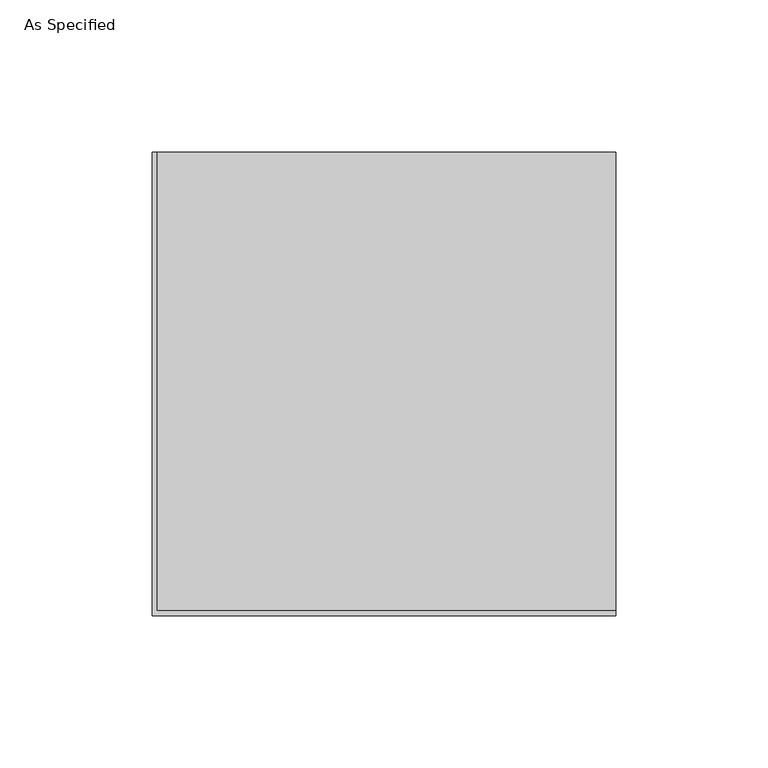
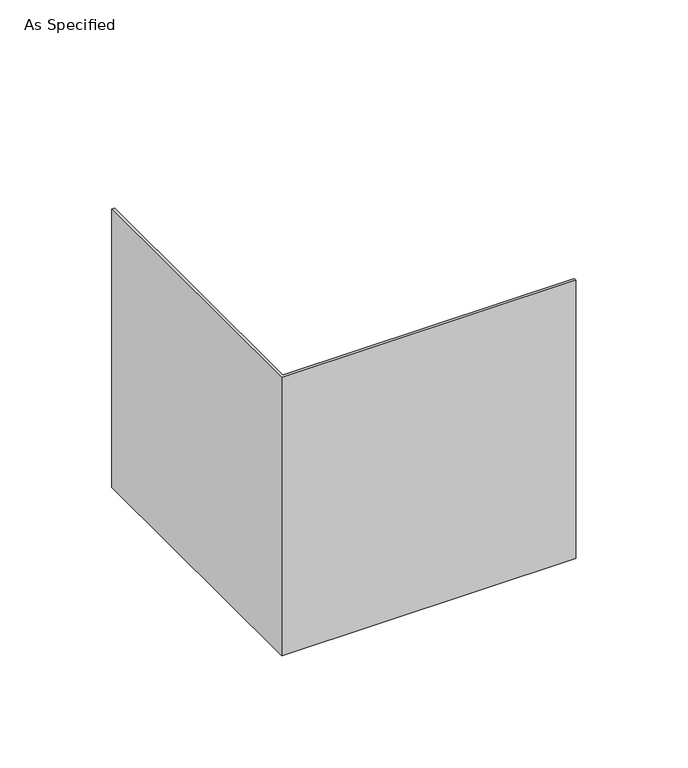
"""IFC4 building model written with IfcOpenShell, lengths in millimetres: proxy geometry, As Specified."""

from ifc_helpers import new_model, si_unit, origin, place, context, project, spatial, faceted_brep, source, transform, mapped, element, save


def as_specified_cf4e0121(model_context):
    return source(origin(), model_context, "Body", "Brep", [
        faceted_brep([(152.4, 152.4, 1.5875), (1.5875, 152.4, 1.5875), (1.5875, 1.5875, 1.5875), (152.4, 1.5875, 1.5875), (152.4, 152.4, 0.0), (152.4, 0.0, 0.0), (0.0, 0.0, 0.0), (0.0, 152.4, 0.0), (0.0, 152.4, 152.4), (1.5875, 152.4, 152.4), (0.0, 0.0, 152.4), (152.4, 0.0, 152.4), (152.4, 1.5875, 152.4), (1.5875, 1.5875, 152.4)], [[[0, 1, 2, 3]], [[4, 5, 6, 7]], [[0, 4, 7, 8, 9, 1]], [[8, 7, 6, 10]], [[10, 6, 5, 11]], [[4, 0, 3, 12, 11, 5]], [[10, 11, 12, 13, 9, 8]], [[13, 12, 3, 2]], [[9, 13, 2, 1]]]),
    ])


if __name__ == "__main__":
    model = new_model("IFC4")
    model_context = context("Model", 3, world=origin())
    ifc_project = project(units=[si_unit("LENGTHUNIT", "METRE", prefix="MILLI")], contexts=[model_context])
    site = spatial("IfcSite", under=ifc_project)
    building = spatial("IfcBuilding", under=site)
    placement = place(None, origin())
    as_specified_shape = as_specified_cf4e0121(model_context)
    element("IfcBuildingElementProxy", 1, Name="As Specified", ObjectType="As Specified", at=placement, inside=building, context=model_context, shape_type="MappedRepresentation", body=[
        mapped(as_specified_shape, transform((0.0, 0.0, 0.0), x_axis=(1.0, 0.0, 0.0), y_axis=(0.0, 1.0, 0.0), z_axis=(0.0, 0.0, 1.0))),
    ])
    save(model, "model.ifc")
